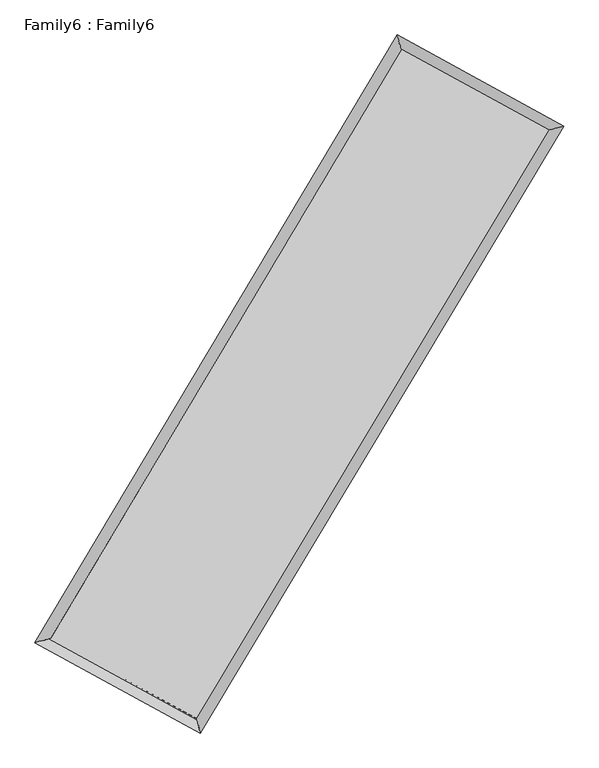
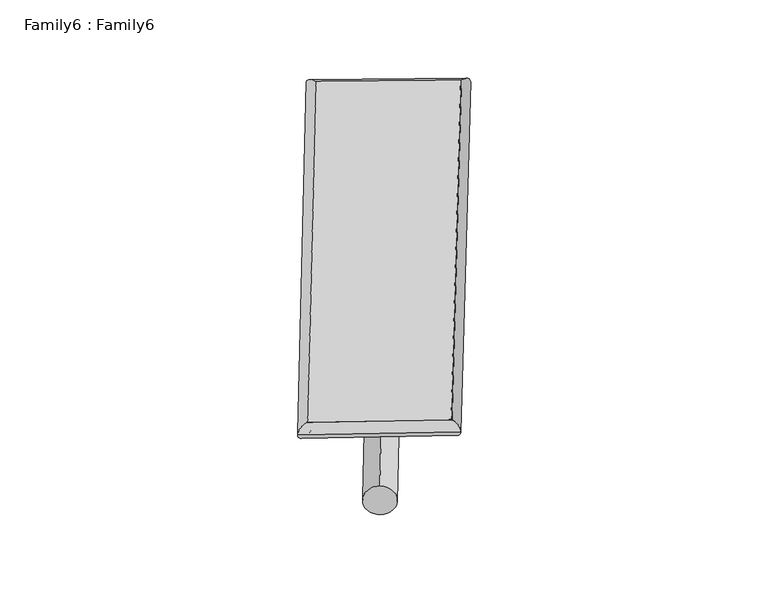
"""IFC4 building model written with IfcOpenShell, lengths in millimetres: plate geometry, Family6 : Family6."""

from ifc_helpers import new_model, si_unit, point, frame, origin, origin_2d, place, context, project, spatial, circle_curve, ellipse_curve, trimmed, segment, composite_curve, outline, extrude, source, transform, mapped, element, save
from ifc_brep_helpers import plane_surface, cylinder_surface, spline_surface, advanced_brep


def family6_family6_2b982efa(model_context):
    return source(origin(), model_context, "Body", "SolidModel", [
        extrude(outline(composite_curve([segment(trimmed(circle_curve(origin_2d(), 76.2), [point((-75.4341514, -10.7763074))], [point((75.4341514, 10.7763074))], False, "CARTESIAN"), True, "CONTINUOUS"), segment(trimmed(circle_curve(origin_2d(), 76.2), [point((75.4341514, 10.7763074))], [point((-75.4341514, -10.7763074))], False, "CARTESIAN"), True, "CONTINUOUS")], self_intersect=False)), frame((9144.0, 9144.0, 0.0), z_axis=(0.6761136078396897, 0.6855453782730732, 0.2699961548289666), x_axis=(-0.67741510185689, 0.7225094004796747, -0.13816275183536422)), (0.0, 0.0, 1.0), 5610.8261924),
        extrude(outline(composite_curve([segment(trimmed(circle_curve(origin_2d(), 76.2), [point((-53.8815367, 53.8815367))], [point((53.8815367, -53.8815367))], False, "CARTESIAN"), True, "CONTINUOUS"), segment(trimmed(circle_curve(origin_2d(), 76.2), [point((53.8815367, -53.8815367))], [point((-53.8815367, 53.8815367))], False, "CARTESIAN"), True, "CONTINUOUS")], self_intersect=False)), frame((9144.0, 9144.0, 0.0), z_axis=(-0.6747264105278449, -0.686891436362467, 0.27004522878236015), x_axis=(0.6392556949584504, -0.36099289375477006, 0.6789965295358631)), (0.0, 0.0, 1.0), 5609.3823237),
        extrude(outline(composite_curve([segment(trimmed(circle_curve(origin_2d(), 76.2), [point((-53.8815367, -53.8815367))], [point((53.8815367, 53.8815367))], False, "CARTESIAN"), True, "CONTINUOUS"), segment(trimmed(circle_curve(origin_2d(), 76.2), [point((53.8815367, 53.8815367))], [point((-53.8815367, -53.8815367))], False, "CARTESIAN"), True, "CONTINUOUS")], self_intersect=False)), frame((9144.0, 9144.0, 0.0), z_axis=(0.2784306644799666, 0.9196333084559583, 0.2770396055721869), x_axis=(-0.8395697045407705, 0.37313408116064684, -0.3948337228425698)), (0.0, 0.0, 1.0), 5522.6398053),
        extrude(outline(composite_curve([segment(trimmed(circle_curve(origin_2d(), 76.2), [point((-75.4341514, 10.7763074))], [point((75.4341514, -10.7763074))], False, "CARTESIAN"), True, "CONTINUOUS"), segment(trimmed(circle_curve(origin_2d(), 76.2), [point((75.4341514, -10.7763074))], [point((-75.4341514, 10.7763074))], False, "CARTESIAN"), True, "CONTINUOUS")], self_intersect=False)), frame((9144.0, 9144.0, 0.0), z_axis=(-0.280318197215475, -0.9190326006410343, 0.27712954961325065), x_axis=(0.8763292842533074, -0.12718996461375842, 0.46461779826179406)), (0.0, 0.0, 1.0), 5520.7484261),
        advanced_brep(
        [(5147.2674305, 5233.0086241, 1515.9645172), (5571.1434979, 5348.9292549, 1516.3281475), (5571.1357684, 5348.918013, 1513.6093487), (10737.4378558, 14018.6857779, 1528.3662917), (10625.9066855, 14426.9212533, 1531.6136151), (5147.2597009, 5232.9973822, 1513.2457184), (12725.3554261, 12932.7407779, 1515.0701243), (13149.7564537, 13048.211151, 1514.7328704), (7540.8979512, 4274.1632211, 1529.6893848), (7651.9695566, 3866.3412119, 1530.2356649)],
        [
            (0, 1, ellipse_curve(frame((5359.2015994, 5290.9633185, 1514.7869329), z_axis=(-0.26378706323500706, 0.9645755013269529, -0.0032384424817704957), x_axis=(-0.9645633818610911, -0.2638010314268308, -0.005147639345899937)), 219.7315975, 152.4)),
            (1, 2, ellipse_curve(frame((5359.2015994, 5290.9633185, 1514.7869329), z_axis=(-0.26378706323500706, 0.9645755013269529, -0.0032384424817704957), x_axis=(-0.9645633818610911, -0.2638010314268308, -0.005147639345899937)), 219.7315975, 152.4)),
            (2, 3),
            (3, 4, ellipse_curve(frame((10681.6722707, 14222.8035156, 1529.9899534), z_axis=(-0.9646365221240937, -0.2635659640714029, 0.003059863958517781), x_axis=(0.2635479209277207, -0.9646318317706039, -0.005284175391265233)), 211.6051151, 152.4)),
            (4, 0),
            (2, 5, ellipse_curve(frame((5359.2015994, 5290.9633185, 1514.7869329), z_axis=(-0.26378706323500706, 0.9645755013269529, -0.0032384424817704957), x_axis=(-0.9645633818610911, -0.2638010314268308, -0.005147639345899937)), 219.7315975, 152.4)),
            (5, 0, ellipse_curve(frame((5359.2015994, 5290.9633185, 1514.7869329), z_axis=(-0.26378706323500706, 0.9645755013269529, -0.0032384424817704957), x_axis=(-0.9645633818610911, -0.2638010314268308, -0.005147639345899937)), 219.7315975, 152.4)),
            (4, 3, ellipse_curve(frame((10681.6722707, 14222.8035156, 1529.9899534), z_axis=(-0.9646365221240937, -0.2635659640714029, 0.003059863958517781), x_axis=(0.2635479209277207, -0.9646318317706039, -0.005284175391265233)), 211.6051151, 152.4)),
            (3, 6),
            (6, 7, ellipse_curve(frame((12937.5559399, 12990.4759645, 1514.9014974), z_axis=(-0.2625309397883286, 0.9649183024539159, 0.0031898657197822334), x_axis=(-0.9649065327215138, -0.2625445161429798, 0.005075446245879009)), 219.9168252, 152.4)),
            (7, 4),
            (7, 6, ellipse_curve(frame((12937.5559399, 12990.4759645, 1514.9014974), z_axis=(-0.2625309397883286, 0.9649183024539159, 0.0031898657197822334), x_axis=(-0.9649065327215138, -0.2625445161429798, 0.005075446245879009)), 219.9168252, 152.4)),
            (6, 8),
            (8, 9, ellipse_curve(frame((7596.4337539, 4070.2522165, 1529.9625248), z_axis=(0.9648496268630399, 0.2627840119354664, 0.003124198033611977), x_axis=(-0.2627654389353871, 0.964844951359788, -0.005342652582909695)), 211.3401857, 152.4)),
            (9, 7),
            (9, 8, ellipse_curve(frame((7596.4337539, 4070.2522165, 1529.9625248), z_axis=(0.9648496268630399, 0.2627840119354664, 0.003124198033611977), x_axis=(-0.2627654389353871, 0.964844951359788, -0.005342652582909695)), 211.3401857, 152.4)),
            (8, 1),
            (5, 9),
        ],
        [
            cylinder_surface(frame((5359.2015994, 5290.9633185, 1514.7869329), z_axis=(-0.5119021844268598, -0.8590424992872121, -0.0014621892454992512), x_axis=(-0.8590136219941691, 0.5118692396322976, 0.009245471686863557)), 152.4),
            cylinder_surface(frame((10681.6722707, 14222.8035156, 1529.9899534), z_axis=(-0.8775784613672459, 0.47939711206832825, 0.005869675020308484), x_axis=(0.4794251339191977, 0.8775685397956958, 0.004999892739795824)), 152.4),
            cylinder_surface(frame((12937.5559399, 12990.4759645, 1514.9014974), z_axis=(0.5137162131262061, 0.8579589465466659, -0.0014485895919669571), x_axis=(0.8579600759644121, -0.5137162131262061, 0.0004005276655560533)), 152.4),
            cylinder_surface(frame((7596.4337539, 4070.2522165, 1529.9625248), z_axis=(0.8778135863368873, -0.47896539848513575, 0.005954384632101412), x_axis=(-0.4789496596179871, -0.8778335782892606, -0.003928406761876892)), 152.4),
        ],
        [
            (0, [[1, 2, 3, 4, 5]]),
            (0, [[6, 7, -5, 8, -3]]),
            (1, [[-4, 9, 10, 11]]),
            (1, [[-8, -11, 12, -9]]),
            (2, [[-10, 13, 14, 15]]),
            (2, [[-12, -15, 16, -13]]),
            (3, [[-14, 17, -1, -7, 18]]),
            (3, [[-16, -18, -6, -2, -17]]),
        ],
    ),
        extrude(outline(composite_curve([segment(trimmed(circle_curve(origin_2d(), 304.8), [point((0.0, 304.8))], [point((0.0, -304.8))], False, "CARTESIAN"), True, "CONTINUOUS"), segment(trimmed(circle_curve(origin_2d(), 304.8), [point((0.0, -304.8))], [point((0.0, 304.8))], False, "CARTESIAN"), True, "CONTINUOUS")], self_intersect=False)), frame((11813.9452993, 13633.1924401, -0.0007261), z_axis=(-0.5111738000218987, -0.8594773680389454, 1.3900895368733662e-07), x_axis=(-0.8594773680389557, 0.5111738000218987, -3.8213820891169746e-08)), (0.0, 0.0, 1.0), 10446.330775),
        advanced_brep(
        [(5359.2015994, 5290.9633185, 1514.7869329), (7596.4337539, 4070.2522165, 1529.9625248), (7596.4343443, 4070.250636, 1682.3625248), (5359.2021898, 5290.9617381, 1667.1869329), (12937.5559399, 12990.4759645, 1514.9014974), (12937.5565303, 12990.474384, 1667.3014973), (10681.6722707, 14222.8035156, 1529.9899534), (10681.672861, 14222.8019351, 1682.3899534)],
        [
            (0, 1),
            (1, 2),
            (2, 3),
            (3, 0),
            (1, 4),
            (4, 5),
            (5, 2),
            (4, 6),
            (6, 7),
            (7, 5),
            (6, 0),
            (3, 7),
        ],
        [
            plane_surface(frame((6477.8176767, 4680.6077675, 1522.3747289), z_axis=(-0.4789738515989283, -0.877829168706505, -7.248060344604811e-06), x_axis=(0.8778135863368876, -0.4789653984851357, 0.005954384632101417))),
            plane_surface(frame((10266.9948469, 8530.3640905, 1522.4320111), z_axis=(0.8579598402538023, -0.513716762853648, -8.650988251360106e-06), x_axis=(0.5137162131262057, 0.8579589465466662, -0.0014485895919669556))),
            plane_surface(frame((11809.6141053, 13606.63974, 1522.4457254), z_axis=(0.4794054079394126, 0.8775935589929835, 7.243945211839447e-06), x_axis=(-0.877578461367246, 0.4793971120683283, 0.005869675020308486))),
            plane_surface(frame((8020.4369351, 9756.8834171, 1522.3884432), z_axis=(-0.8590434240362792, 0.5119027207833913, 8.636373348202523e-06), x_axis=(-0.5119021844268599, -0.8590424992872121, -0.001462189245499248))),
            spline_surface(1, 1, [[(7596.4343443, 4070.250636, 1682.3625248), (5359.2021898, 5290.9617381, 1667.1869329)], [(12937.5565303, 12990.474384, 1667.3014973), (10681.672861, 14222.8019351, 1682.3899534)]], [2, 2], [2, 2], [0.0, 1.0], [0.0, 1.0]),
            spline_surface(1, 1, [[(10681.6722707, 14222.8035156, 1529.9899534), (5359.2015994, 5290.9633185, 1514.7869329)], [(12937.5559399, 12990.4759645, 1514.9014974), (7596.4337539, 4070.2522165, 1529.9625248)]], [2, 2], [2, 2], [0.0, 1.0], [0.0, 1.0]),
        ],
        [
            (0, [[1, 2, 3, 4]]),
            (1, [[5, 6, 7, -2]]),
            (2, [[8, 9, 10, -6]]),
            (3, [[11, -4, 12, -9]]),
            (4, [[-3, -7, -10, -12]]),
            (5, [[-11, -8, -5, -1]]),
        ],
    ),
    ])


if __name__ == "__main__":
    model = new_model("IFC4")
    model_context = context("Model", 3, world=origin())
    ifc_project = project(units=[si_unit("LENGTHUNIT", "METRE", prefix="MILLI")], contexts=[model_context])
    site = spatial("IfcSite", under=ifc_project)
    building = spatial("IfcBuilding", under=site)
    placement = place(None, origin())
    family6_family6_shape = family6_family6_2b982efa(model_context)
    element("IfcPlate", 1, ObjectType="Family6 : Family6", at=placement, inside=building, context=model_context, shape_type="MappedRepresentation", body=[
        mapped(family6_family6_shape, transform((0.0, 0.0, 0.0), x_axis=(1.0, 0.0, 0.0), y_axis=(0.0, 1.0, 0.0), z_axis=(0.0, 0.0, 1.0))),
    ])
    save(model, "model.ifc")
